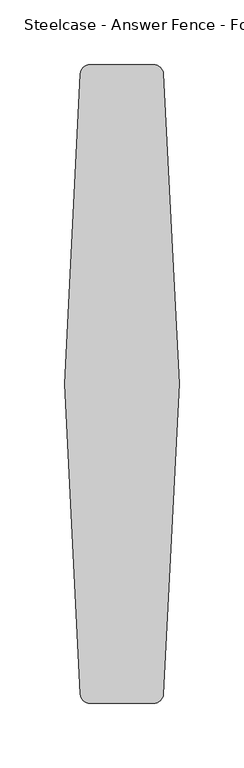
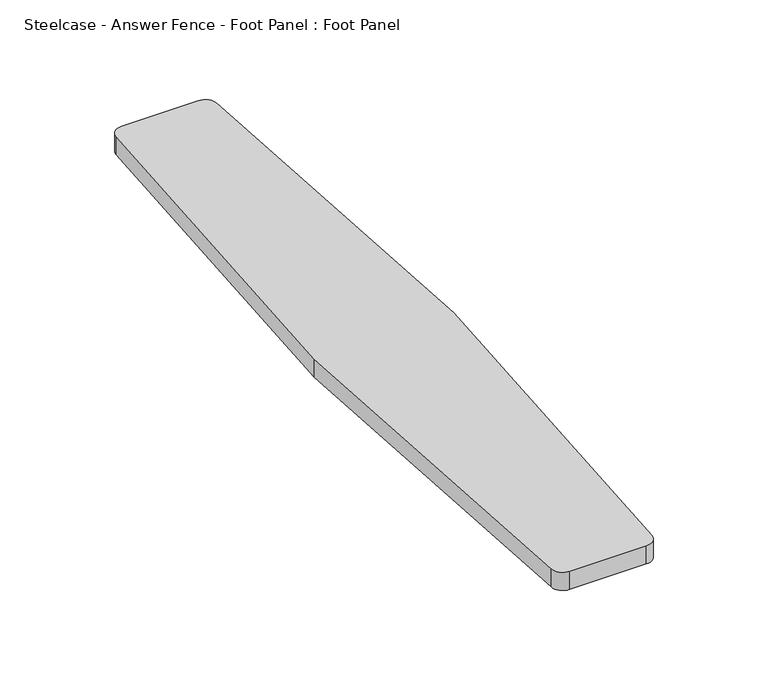
"""IFC4 building model written with IfcOpenShell, lengths in millimetres: furniture geometry, Steelcase - Answer Fence - Foot Panel : Foot Panel."""

from ifc_helpers import new_model, si_unit, point, frame, frame_2d, origin, origin_with_axes, place, context, project, spatial, polyline, circle_curve, trimmed, segment, composite_curve, outline, extrude, source, transform, mapped, element, save


def steelcase_answer_fence_foot_panel_foot_panel_c344956d(model_context):
    return source(origin(), model_context, "Body", "SweptSolid", [
        extrude(outline(composite_curve([segment(trimmed(circle_curve(frame_2d((-38.1, -133.3684287)), 19.05), [point((-57.15, -133.3684287))], [point((-19.05, -133.3684287))], False, "CARTESIAN"), True, "CONTINUOUS"), segment(trimmed(circle_curve(frame_2d((-38.1, -133.3684287)), 19.05), [point((-19.05, -133.3684287))], [point((-57.15, -133.3684287))], False, "CARTESIAN"), True, "CONTINUOUS")], self_intersect=False)), origin_with_axes(), (0.0, 0.0, 1.0), 3.180088),
        extrude(outline(composite_curve([segment(trimmed(circle_curve(frame_2d((-38.1, 285.9552342)), 19.05), [point((-57.15, 285.9552342))], [point((-19.05, 285.9552342))], False, "CARTESIAN"), True, "CONTINUOUS"), segment(trimmed(circle_curve(frame_2d((-38.1, 285.9552342)), 19.05), [point((-19.05, 285.9552342))], [point((-57.15, 285.9552342))], False, "CARTESIAN"), True, "CONTINUOUS")], self_intersect=False)), origin_with_axes(), (0.0, 0.0, 1.0), 3.180088),
        extrude(outline(composite_curve([segment(polyline([(5.5548438, 76.3929358), (-6.7694674, -164.0271651)]), True, "CONTINUOUS"), segment(trimmed(circle_curve(frame_2d((-14.3794754, -163.6370642)), 7.62), [point((-6.7694674, -164.0271651))], [point((-14.3794754, -171.2570642))], False, "CARTESIAN"), True, "CONTINUOUS"), segment(polyline([(-14.3794754, -171.2570642), (-63.410831, -171.2570642)]), True, "CONTINUOUS"), segment(trimmed(circle_curve(frame_2d((-63.410831, -163.6370642)), 7.62), [point((-63.410831, -171.2570642))], [point((-71.020839, -164.0271653))], False, "CARTESIAN"), True, "CONTINUOUS"), segment(polyline([(-71.020839, -164.0271653), (-83.3451562, 76.3929358), (-71.020839, 316.813037)]), True, "CONTINUOUS"), segment(trimmed(circle_curve(frame_2d((-63.410831, 316.4229358)), 7.62), [point((-71.020839, 316.813037))], [point((-63.410831, 324.0429358))], False, "CARTESIAN"), True, "CONTINUOUS"), segment(polyline([(-63.410831, 324.0429358), (-14.3794754, 324.0429358)]), True, "CONTINUOUS"), segment(trimmed(circle_curve(frame_2d((-14.3794754, 316.4229358)), 7.62), [point((-14.3794754, 324.0429358))], [point((-6.7694674, 316.8130368))], False, "CARTESIAN"), True, "CONTINUOUS"), segment(polyline([(-6.7694674, 316.8130368), (5.5548438, 76.3929358)]), True, "CONTINUOUS")], self_intersect=False)), frame((0.0, 0.0, 3.180088), z_axis=(0.0, 0.0, 1.0), x_axis=(1.0, 0.0, 0.0)), (0.0, 0.0, 1.0), 12.313879),
    ])


if __name__ == "__main__":
    model = new_model("IFC4")
    model_context = context("Model", 3, world=origin())
    ifc_project = project(units=[si_unit("LENGTHUNIT", "METRE", prefix="MILLI")], contexts=[model_context])
    site = spatial("IfcSite", under=ifc_project)
    building = spatial("IfcBuilding", under=site)
    placement = place(None, origin())
    steelcase_answer_fence_foot_panel_foot_panel_shape = steelcase_answer_fence_foot_panel_foot_panel_c344956d(model_context)
    element("IfcFurniture", 1, ObjectType="Steelcase - Answer Fence - Foot Panel : Foot Panel", at=placement, inside=building, context=model_context, shape_type="MappedRepresentation", body=[
        mapped(steelcase_answer_fence_foot_panel_foot_panel_shape, transform((0.0, 0.0, 0.0), x_axis=(1.0, 0.0, 0.0), y_axis=(0.0, 1.0, 0.0), z_axis=(0.0, 0.0, 1.0))),
    ])
    save(model, "model.ifc")
